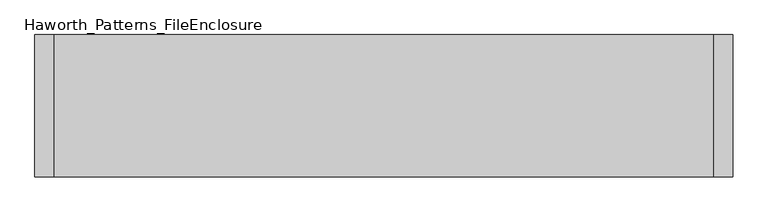
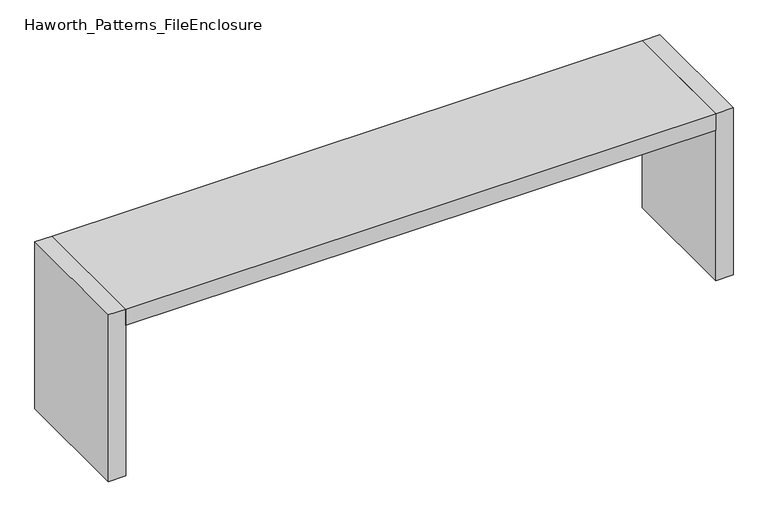
"""IFC4 building model written with IfcOpenShell, lengths in millimetres: furniture geometry, Haworth_Patterns_FileEnclosure."""

from ifc_helpers import new_model, si_unit, frame, origin, origin_with_axes, place, context, project, spatial, polyline, outline, extrude, source, transform, mapped, element, save


def haworth_patterns_fileenclosure_2857b2a1(model_context):
    return source(origin(), model_context, "Body", "SweptSolid", [
        extrude(outline(polyline([(1295.4, 0.0), (1295.4, -558.8), (-1295.4, -558.8), (-1295.4, 0.0), (1295.4, 0.0)])), frame((0.0, 0.0, 698.5), z_axis=(0.0, 0.0, 1.0), x_axis=(1.0, 0.0, 0.0)), (0.0, 0.0, 1.0), 76.2),
        extrude(outline(polyline([(1295.4, 0.0), (1371.6, 0.0), (1371.6, -558.8), (1295.4, -558.8), (1295.4, 0.0)])), origin_with_axes(), (0.0, 0.0, 1.0), 774.7),
        extrude(outline(polyline([(-1295.4, 0.0), (-1295.4, -558.8), (-1371.6, -558.8), (-1371.6, 0.0), (-1295.4, 0.0)])), origin_with_axes(), (0.0, 0.0, 1.0), 774.7),
    ])


if __name__ == "__main__":
    model = new_model("IFC4")
    model_context = context("Model", 3, world=origin())
    ifc_project = project(units=[si_unit("LENGTHUNIT", "METRE", prefix="MILLI")], contexts=[model_context])
    site = spatial("IfcSite", under=ifc_project)
    building = spatial("IfcBuilding", under=site)
    placement = place(None, origin())
    haworth_patterns_fileenclosure_shape = haworth_patterns_fileenclosure_2857b2a1(model_context)
    element("IfcFurniture", 1, ObjectType="Haworth_Patterns_FileEnclosure", at=placement, inside=building, context=model_context, shape_type="MappedRepresentation", body=[
        mapped(haworth_patterns_fileenclosure_shape, transform((0.0, 0.0, 0.0), x_axis=(1.0, 0.0, 0.0), y_axis=(0.0, 1.0, 0.0), z_axis=(0.0, 0.0, 1.0))),
    ])
    save(model, "model.ifc")
